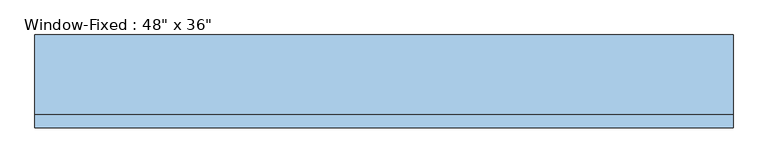
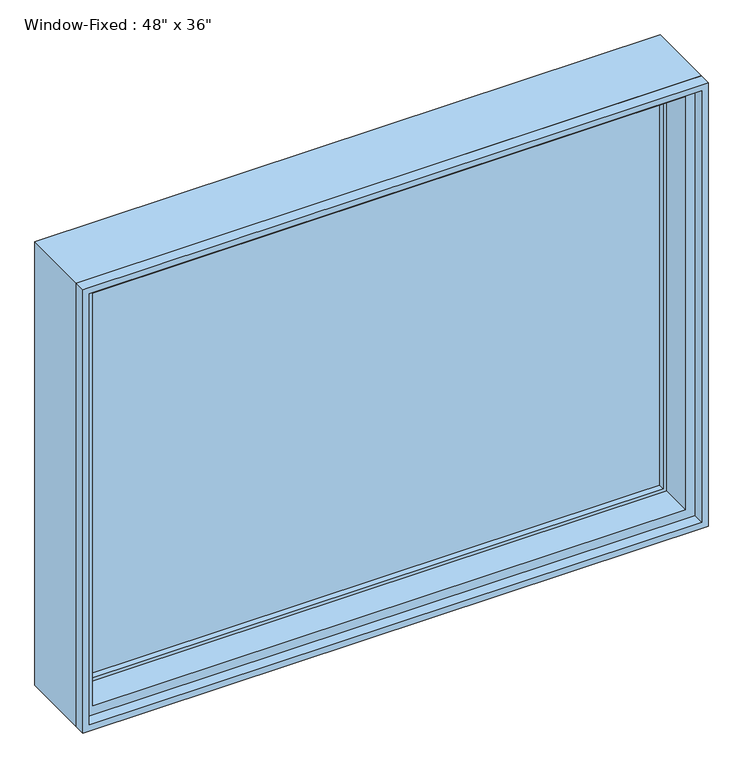
"""IFC4 building model written with IfcOpenShell, lengths in millimetres: window geometry."""

from ifc_helpers import new_model, si_unit, frame, origin, place, context, project, spatial, polyline, outline, extrude, faceted_brep, source, transform, mapped, element, save


def window_6a535633(model_context):
    return source(origin(), model_context, "Body", "SolidModel", [
        extrude(outline(polyline([(571.5, 46.0375), (571.5, 39.6875), (-571.5, 39.6875), (-571.5, 46.0375), (571.5, 46.0375)])), frame((0.0, 0.0, 952.5), z_axis=(0.0, 0.0, 1.0), x_axis=(1.0, 0.0, 0.0)), (0.0, 0.0, 1.0), 838.2),
        extrude(outline(polyline([(-571.5, 26.9875), (-571.5, 33.3375), (571.5, 33.3375), (571.5, 26.9875), (-571.5, 26.9875)])), frame((0.0, 0.0, 952.5), z_axis=(0.0, 0.0, 1.0), x_axis=(1.0, 0.0, 0.0)), (0.0, 0.0, 1.0), 838.2),
        extrude(outline(polyline([(927.1, 596.9), (1816.1, 596.9), (1816.1, -596.9), (927.1, -596.9), (927.1, 596.9)]), holes=[polyline([(952.5, -571.5), (1790.7, -571.5), (1790.7, 571.5), (952.5, 571.5), (952.5, -571.5)])]), frame((0.0, 14.2875, 0.0), z_axis=(0.0, 1.0, 0.0), x_axis=(0.0, 0.0, 1.0)), (0.0, 0.0, 1.0), 44.45),
        extrude(outline(polyline([(1828.8, -609.6), (914.4, -609.6), (914.4, 609.6), (1828.8, 609.6), (1828.8, -609.6)]), holes=[polyline([(1816.1, 596.9), (927.1, 596.9), (927.1, -596.9), (1816.1, -596.9), (1816.1, 596.9)])]), frame((0.0, -71.4375, 0.0), z_axis=(0.0, 1.0, 0.0), x_axis=(0.0, 0.0, 1.0)), (0.0, 0.0, 1.0), 22.225),
        faceted_brep([(609.6, -49.2125, 1828.8), (609.6, 90.4875, 1828.8), (-609.6, 90.4875, 1828.8), (-609.6, -49.2125, 1828.8), (-609.6, 90.4875, 914.4), (-609.6, -49.2125, 914.4), (609.6, 90.4875, 914.4), (609.6, -49.2125, 914.4), (577.85, -49.2125, 1797.05), (577.85, -49.2125, 946.15), (-577.85, -49.2125, 946.15), (-577.85, -49.2125, 1797.05), (-596.9, 90.4875, 1816.1), (-596.9, 90.4875, 927.1), (596.9, 90.4875, 927.1), (596.9, 90.4875, 1816.1), (577.85, 14.2875, 1797.05), (-577.85, 14.2875, 1797.05), (596.9, 14.2875, 1816.1), (-596.9, 14.2875, 1816.1), (-577.85, 14.2875, 946.15), (-596.9, 14.2875, 927.1), (577.85, 14.2875, 946.15), (596.9, 14.2875, 927.1)], [[[0, 1, 2, 3]], [[3, 2, 4, 5]], [[5, 4, 6, 7]], [[3, 5, 7, 0], [8, 9, 10, 11]], [[7, 6, 1, 0]], [[1, 6, 4, 2], [12, 13, 14, 15]], [[16, 8, 11, 17]], [[15, 18, 19, 12]], [[17, 11, 10, 20]], [[12, 19, 21, 13]], [[20, 10, 9, 22]], [[13, 21, 23, 14]], [[22, 9, 8, 16]], [[18, 23, 21, 19], [17, 20, 22, 16]], [[14, 23, 18, 15]]]),
    ])


if __name__ == "__main__":
    model = new_model("IFC4")
    model_context = context("Model", 3, world=origin())
    ifc_project = project(units=[si_unit("LENGTHUNIT", "METRE", prefix="MILLI")], contexts=[model_context])
    site = spatial("IfcSite", under=ifc_project)
    building = spatial("IfcBuilding", under=site)
    placement = place(None, origin())
    window_shape = window_6a535633(model_context)
    element("IfcWindow", 1, ObjectType="Window-Fixed : 48\" x 36\"", at=placement, inside=building, context=model_context, shape_type="MappedRepresentation", body=[
        mapped(window_shape, transform((0.0, 0.0, 0.0), x_axis=(1.0, 0.0, 0.0), y_axis=(0.0, 1.0, 0.0), z_axis=(0.0, 0.0, 1.0))),
    ])
    save(model, "model.ifc")
